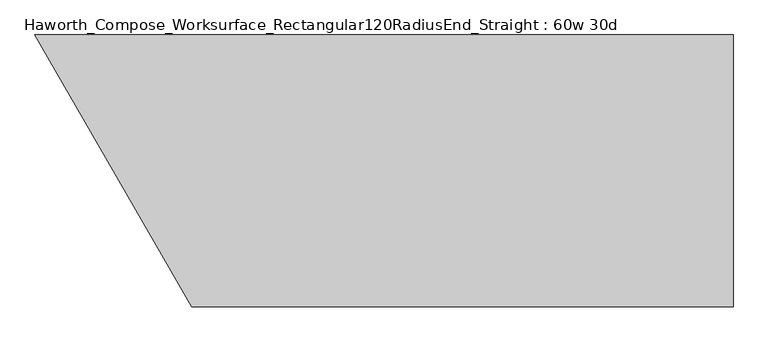
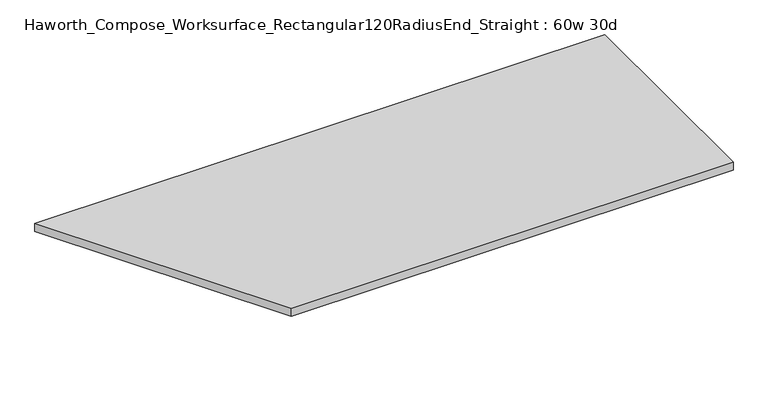
"""IFC4 building model written with IfcOpenShell, lengths in millimetres: furniture geometry, Haworth_Compose_Worksurface_Rectangular120RadiusEnd_Straight : 60w 30d."""

from ifc_helpers import new_model, si_unit, frame, origin, place, context, project, spatial, polyline, outline, extrude, source, transform, mapped, element, save


def haworth_compose_worksurface_rectangular120radiusend_straight_59d54dc7(model_context):
    return source(origin(), model_context, "Body", "SweptSolid", [
        extrude(outline(polyline([(762.0, 381.0), (762.0, -381.0), (-755.6127389, -381.0), (-1195.533987, 381.0), (762.0, 381.0)])), frame((0.0, 0.0, 706.4375), z_axis=(0.0, 0.0, 1.0), x_axis=(1.0, 0.0, 0.0)), (0.0, 0.0, 1.0), 30.1625),
    ])


if __name__ == "__main__":
    model = new_model("IFC4")
    model_context = context("Model", 3, world=origin())
    ifc_project = project(units=[si_unit("LENGTHUNIT", "METRE", prefix="MILLI")], contexts=[model_context])
    site = spatial("IfcSite", under=ifc_project)
    building = spatial("IfcBuilding", under=site)
    placement = place(None, origin())
    haworth_compose_worksurface_rectangular120radiusend_straight_shape = haworth_compose_worksurface_rectangular120radiusend_straight_59d54dc7(model_context)
    element("IfcFurniture", 1, ObjectType="Haworth_Compose_Worksurface_Rectangular120RadiusEnd_Straight : 60w 30d", at=placement, inside=building, context=model_context, shape_type="MappedRepresentation", body=[
        mapped(haworth_compose_worksurface_rectangular120radiusend_straight_shape, transform((0.0, 0.0, 0.0), x_axis=(1.0, 0.0, 0.0), y_axis=(0.0, 1.0, 0.0), z_axis=(0.0, 0.0, 1.0))),
    ])
    save(model, "model.ifc")
